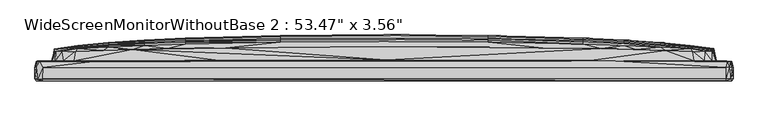
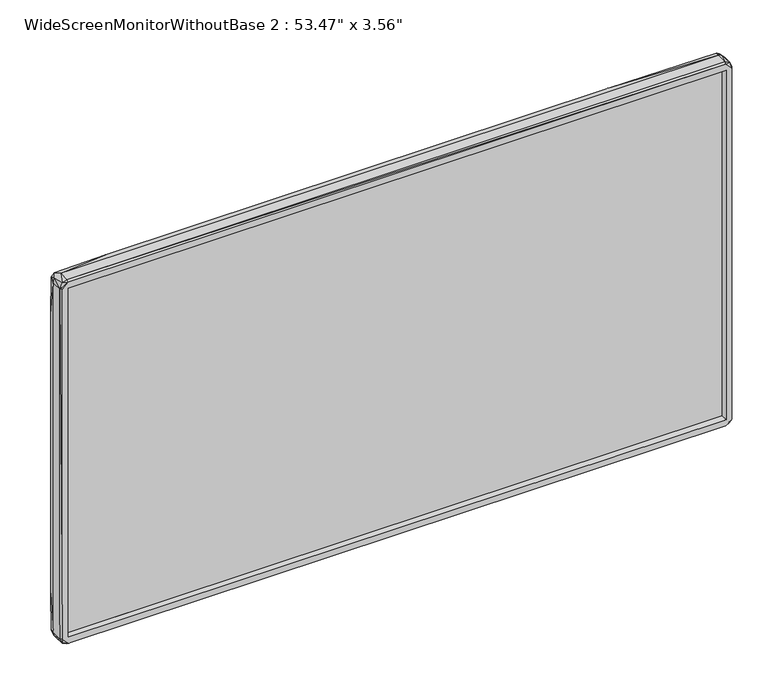
"""IFC4 building model written with IfcOpenShell, lengths in millimetres: furniture geometry."""

from ifc_helpers import new_model, si_unit, origin, place, context, project, spatial, triangles, source, transform, mapped, element, save


def furniture_28b2fe23(model_context):
    return source(origin(), model_context, "Body", "Tessellation", [
        triangles([(661.3648636, 7.6867009, 19.4749286), (661.3648636, 7.6865715, 757.5641516), (661.3648636, 4.3867008, 19.4749264), (661.3648636, 4.3865716, 757.5641516), (-661.3262032, 4.3864981, 757.5641516), (-661.3262032, 7.6864983, 757.5641516), (-661.3262032, 7.6866271, 19.4749286), (-661.3262032, 4.386627, 19.4749264)], [[1, 2, 3], [3, 2, 4], [5, 4, 2], [5, 2, 6], [7, 1, 3], [7, 3, 8], [7, 6, 1], [7, 8, 5], [7, 5, 6], [8, 3, 4], [8, 4, 5], [1, 6, 2]]),
        triangles([(-679.0600771, 22.5199599, 16.0345363), (-679.0600771, 0.0199601, 15.8345327), (-679.0600771, 22.5198304, 761.0603771), (-677.9600716, 22.5199599, 9.1345374), (-675.9600483, 34.5199587, 12.5345388), (-676.4600178, 34.6199503, 91.103369), (-676.4600178, 34.6198459, 685.1916069), (-674.1600855, 0.0199625, 3.7345343), (-676.3600965, -4.08004, 15.7345331), (-678.9600105, 0.0198296, 762.0603161), (-669.7600634, 34.5199633, 4.2345404), (-673.960025, 22.5199622, 3.134538), (-664.7600779, -4.0800389, 15.5345328), (-664.7600779, -4.0801695, 761.5603466), (-664.3600296, -4.0800366, 2.7345334), (-676.1600361, -4.0801709, 763.0603277), (-642.1600765, 35.2199523, 46.6345399), (-624.5600607, 35.2199591, 31.6345403), (-664.1600418, 22.5199622, 0.0345381), (-664.5600174, 0.0199636, 0.0345341), (-538.2945414, 34.619973, 2.7345399), (664.7273764, -4.0799654, 15.5345328), (661.3273659, 4.4200336, 19.4345332), (-661.3599947, 4.4199601, 19.4345332), (664.4273947, 0.0200376, 0.0345341), (664.3274008, -4.0799631, 2.7345334), (664.127413, 22.5200371, 0.0345381), (-661.3599947, 12.8199592, 19.4345332), (-661.3599947, 12.8198298, 757.5603727), (-661.3599947, 4.4198312, 757.5603727), (661.3273659, 12.820033, 19.4345332), (224.2982459, 13.019989, 127.7721791), (-114.0654122, 13.1199273, 374.6474808), (-499.9945899, 13.0198948, 435.9163064), (-635.1599951, 35.4199606, 37.6345397), (-638.5600782, 53.4564982, 59.6345458), (-630.5600578, 53.2565058, 45.7345404), (-646.1600504, 35.3199508, 65.4033661), (-611.2272989, 53.5565057, 35.7345444), (-603.3273451, 35.3199621, 29.0345377), (-595.6273064, 54.1565054, 34.1345444), (-536.7945602, 56.2565044, 34.1345444), (-296.6636507, 36.3199828, 28.9345393), (593.7946421, 34.6200344, 2.7345399), (382.6964444, 36.2200185, 29.0345377), (-91.365417, 48.8565382, 31.6345403), (608.0946413, 35.320028, 29.0345377), (466.629221, 58.156561, 34.1345444), (669.4273802, 34.5200382, 4.1345405), (623.9273958, 35.2200273, 31.5345418), (675.727359, 34.5200337, 11.4345389), (600.9946386, 53.8565691, 34.434542), (635.1273663, 35.2200227, 37.4345405), (616.3946434, 53.3565678, 36.8345454), (630.0273869, 53.2565694, 44.9345392), (642.127375, 35.2200273, 46.6345399), (637.2273834, 53.3565678, 56.3345429), (646.1274216, 35.3200257, 65.5033646), (676.427389, 34.6200253, 91.003366), (661.3273659, 4.4199047, 757.5603727), (661.3273659, 12.8199047, 757.5603727), (392.0964157, 13.0199368, 478.0162803), (676.427389, 22.5200348, 6.8345375), (673.5273479, -0.0799628, 3.2345341), (675.8273529, -4.0799636, 11.9345322), (664.7273764, -4.0800959, 761.5603466), (676.3273951, -4.0800948, 761.2603649), (679.0273756, 0.0200356, 15.7345331), (679.0273756, 22.5200326, 16.0345363), (679.0273756, 22.5199054, 761.0603771), (679.0273756, 0.0199052, 761.6603405), (-640.7600893, 54.3564932, 81.5033645), (-595.5273488, 59.0564925, 96.0033606), (-536.7945602, 62.6564998, 96.0033606), (-434.9618588, 58.7565153, 34.1345444), (-304.7636468, 60.7565204, 34.1345444), (-466.6618861, 65.7565059, 96.0033697), (-386.229114, 68.3565062, 96.0033697), (-118.5654191, 61.9565335, 34.1345444), (-202.0308914, 71.6565092, 96.0033697), (119.4327626, 62.0565455, 34.1345444), (-0.0327158, 72.7565283, 96.0033697), (296.6310037, 60.8565506, 34.1345444), (201.9982444, 71.656541, 96.0033697), (423.5964552, 58.9565576, 34.1345444), (386.2964064, 68.3565516, 96.0033697), (466.629221, 65.7565513, 96.0033697), (536.8619617, 56.256568, 34.1345444), (536.8619617, 62.6565589, 96.0033606), (595.494611, 59.056556, 96.0033606), (640.7273878, 53.9565721, 72.9033671), (-646.4600321, 35.8199293, 183.1410015), (-646.4600321, 35.9198823, 479.2851345), (640.9273756, 55.7565622, 119.6033554), (646.4274033, 35.9199868, 297.9098319), (676.3273951, 34.5199042, 760.3603472), (-640.9600044, 57.1564767, 175.1721929), (-595.5273488, 62.2564834, 169.2722078), (-642.7600399, 50.1564498, 342.878635), (-640.9600044, 58.9564531, 325.0786314), (-536.7945602, 65.256491, 135.6721966), (-466.6618861, 68.8564984, 135.6721966), (-386.229114, 71.7564985, 135.6721966), (-202.0308914, 75.6565103, 135.6721966), (-0.0327161, 76.9565218, 135.6721966), (201.9982444, 75.6565421, 135.6721966), (386.2964064, 71.7565439, 135.6721966), (466.629221, 68.8565438, 135.6721966), (536.8619617, 65.2565501, 135.6721966), (595.494611, 61.0565566, 135.6721966), (640.9273756, 58.1565383, 240.6098411), (640.9273756, 59.0565061, 424.4163179), (595.494611, 62.6565452, 180.1410211), (-595.5273488, 64.7564625, 280.1098283), (-536.7945602, 67.3564809, 180.1410211), (-536.7945602, 70.0564615, 280.1098283), (-466.6618861, 71.2564972, 180.1410211), (-386.229114, 74.5564911, 180.1410211), (-202.0308914, 78.8564966, 180.1410211), (-0.0327162, 80.3565141, 180.1410211), (201.9982444, 78.8565239, 180.1410211), (386.2964064, 74.5565365, 180.1410211), (466.629221, 71.2565427, 180.1410211), (536.8619617, 67.35654, 180.1410211), (-466.6618861, 74.5564684, 280.1098283), (-386.229114, 78.2564697, 280.1098283), (-202.0308914, 83.2564734, 280.1098283), (-0.0327165, 84.8564847, 280.1098283), (201.9982444, 83.2565097, 280.1098283), (386.2964064, 78.2565151, 280.1098283), (466.629221, 74.5565138, 280.1098283), (536.8619617, 70.0565205, 280.1098283), (595.494611, 64.7565215, 280.1098283), (646.4274033, 35.8199339, 594.3539103), (-595.5273488, 65.4564516, 388.2474501), (-536.7945602, 71.0564459, 388.2474501), (-466.6618861, 75.7564588, 388.2474501), (-386.229114, 79.5564539, 388.2474501), (-202.0308914, 84.6564606, 388.2474501), (-0.0327166, 86.3564749, 388.2474864), (201.9982444, 84.6564878, 388.2474501), (386.2964064, 79.5564993, 388.2474501), (466.629221, 75.7565042, 388.2474501), (536.8619617, 71.0565094, 388.2474501), (595.494611, 65.4565106, 388.2474501), (-642.660046, 49.6564031, 594.8539524), (-640.9600044, 57.0564056, 604.6227239), (-640.9600044, 58.9564304, 450.9162992), (-13.8327119, 13.0198823, 665.0915983), (-595.5273488, 64.7564216, 496.4851021), (-536.7945602, 70.0564251, 496.4851021), (-466.6618861, 74.5564321, 496.4851021), (-386.229114, 78.2564333, 496.4851021), (-202.0308914, 83.256437, 496.4851021), (-0.0327165, 84.8564484, 496.4851021), (201.9982444, 83.2564643, 496.4851021), (386.2964064, 78.2564788, 496.4851021), (466.629221, 74.5564775, 496.4851021), (536.8619617, 70.0564842, 496.4851021), (595.494611, 64.7564807, 496.4851021), (640.9273756, 58.1564838, 545.3538852), (640.9273756, 56.1564696, 642.8226814), (-646.0600565, 35.3198395, 711.4916004), (-595.5273488, 62.656409, 596.4538911), (-536.7945602, 67.3564083, 596.4538911), (-466.6618861, 71.25642, 596.4538911), (-386.229114, 74.5564185, 596.4538911), (-202.0308914, 78.856424, 596.4538911), (-0.0327162, 80.3564414, 596.4538911), (201.9982444, 78.8564512, 596.4538911), (386.2964064, 74.5564639, 596.4538911), (466.629221, 71.2564654, 596.4538911), (536.8619617, 67.3564673, 596.4538911), (595.494611, 62.2564697, 607.3227044), (646.1274216, 35.3199122, 711.5915216), (-640.6600227, 54.0563843, 702.2915806), (-595.5273488, 61.0564022, 640.9227247), (-536.7945602, 65.2564002, 640.9227247), (-466.6618861, 68.8564121, 640.9227247), (-386.229114, 71.7564077, 640.9227247), (-202.0308914, 75.6564194, 640.9227247), (-0.0327161, 76.9564309, 640.9227247), (201.9982444, 75.6564512, 640.9227247), (386.2964064, 71.7564531, 640.9227247), (466.629221, 68.8564575, 640.9227247), (536.8619617, 65.2564638, 640.9227247), (-595.5273488, 59.056388, 680.6915182), (-536.7945602, 62.6563954, 680.6915182), (-466.6618861, 65.7564015, 680.6915182), (-386.229114, 68.3564017, 680.6915182), (-202.0308914, 71.6564047, 680.6915182), (-0.0327158, 72.7564239, 680.6915182), (201.9982444, 71.6564365, 680.6915182), (386.2964064, 68.3564471, 680.6915182), (466.629221, 65.7564469, 680.6915182), (536.8619617, 62.6564544, 680.6915182), (595.494611, 59.0564561, 680.6915182), (640.8273817, 54.15646, 700.3916239), (-675.6599939, 34.5198293, 765.8603748), (-639.0600477, 35.2198342, 734.5603958), (-638.5600782, 53.4563801, 717.1915432), (638.927425, 35.2199069, 734.5603958), (638.5273767, 53.4564573, 717.0915493), (-626.6600779, 53.2563832, 733.9603598), (-600.8273523, 53.9563813, 742.4603497), (-547.4945975, 55.9563864, 742.6603374), (-489.6618267, 57.6563872, 742.6603374), (-421.6290607, 59.056388, 742.6603374), (-308.8963706, 60.6563993, 742.6603374), (-104.6654227, 62.0564093, 742.6603374), (102.8327675, 62.1564213, 742.6603374), (308.8637418, 60.6564357, 742.6603374), (421.5964319, 59.0564334, 742.6603374), (489.6291979, 57.6564417, 742.6603374), (547.4619687, 55.9564455, 742.6603374), (600.7946145, 53.9564495, 742.4603497), (625.2273891, 53.2564468, 735.1603592), (-676.3600965, 22.5198282, 770.2603243), (-664.6600113, -4.0801717, 774.2603708), (-673.4600555, -0.0801724, 773.8603226), (-664.0600479, 22.5198259, 777.0604179), (-669.4600817, 34.5198293, 772.9603775), (-624.3600002, 35.2198342, 745.4603119), (-664.3600296, 0.0198278, 777.0604179), (-565.4272965, 34.6198391, 774.3603647), (664.3274008, -4.0800982, 774.3603647), (664.5273886, 0.0199017, 777.0604179), (449.7291987, 34.7198875, 774.3603647), (664.3274008, 22.5199008, 777.0604179), (-603.6273268, 35.3198349, 747.9603773), (-320.1964076, 36.3198511, 748.0603712), (4.7000577, 36.6198691, 748.0603712), (402.1964533, 36.1198906, 748.0603712), (603.5945889, 35.3199031, 747.9603773), (667.5273508, 34.5199042, 773.8603226), (623.9273958, 35.2199001, 745.4603119), (674.7273474, 0.0199031, 772.3604141), (671.9273729, 22.5199008, 775.1603886), (673.6273418, 34.5199042, 770.1604031), (677.7273823, 22.5199031, 768.6603493)], [[1, 2, 3], [1, 4, 2], [1, 5, 4], [1, 6, 5], [1, 7, 6], [1, 3, 7], [2, 4, 8], [2, 9, 10], [2, 8, 9], [2, 10, 3], [4, 5, 11], [4, 12, 8], [4, 11, 12], [9, 13, 14], [9, 15, 13], [9, 14, 16], [9, 16, 10], [9, 8, 15], [5, 17, 18], [5, 18, 11], [5, 6, 17], [8, 12, 19], [8, 19, 20], [8, 20, 15], [12, 11, 19], [11, 18, 21], [11, 21, 19], [13, 15, 22], [13, 23, 24], [13, 22, 23], [13, 24, 14], [20, 19, 25], [20, 26, 15], [20, 25, 26], [15, 26, 22], [19, 21, 27], [19, 27, 25], [24, 23, 28], [24, 28, 29], [24, 30, 14], [24, 29, 30], [28, 31, 32], [28, 32, 33], [28, 33, 34], [28, 34, 29], [28, 23, 31], [17, 35, 18], [17, 36, 37], [17, 37, 35], [17, 38, 36], [17, 6, 38], [35, 37, 39], [35, 39, 18], [18, 39, 40], [18, 40, 21], [40, 39, 41], [40, 41, 42], [40, 42, 43], [40, 43, 21], [21, 43, 44], [21, 44, 27], [43, 45, 44], [43, 42, 46], [43, 46, 45], [45, 47, 44], [45, 46, 48], [45, 48, 47], [44, 49, 27], [44, 47, 50], [44, 50, 51], [44, 51, 49], [47, 48, 52], [47, 52, 50], [50, 53, 51], [50, 52, 54], [50, 54, 53], [53, 55, 56], [53, 54, 55], [53, 56, 51], [56, 55, 57], [56, 57, 58], [56, 58, 59], [56, 59, 51], [31, 23, 60], [31, 60, 61], [23, 22, 60], [31, 62, 32], [31, 61, 62], [27, 49, 63], [27, 64, 25], [27, 63, 64], [26, 65, 22], [26, 25, 64], [26, 64, 65], [22, 66, 60], [22, 65, 67], [22, 67, 66], [49, 51, 63], [64, 63, 68], [64, 68, 65], [51, 69, 63], [51, 59, 69], [65, 68, 67], [63, 69, 68], [68, 69, 70], [68, 71, 67], [68, 70, 71], [69, 59, 70], [36, 38, 72], [36, 72, 73], [36, 73, 37], [37, 73, 39], [39, 73, 41], [41, 73, 74], [41, 74, 42], [42, 75, 76], [42, 76, 46], [42, 74, 77], [42, 77, 75], [75, 77, 78], [75, 78, 76], [76, 79, 46], [76, 78, 80], [76, 80, 79], [79, 81, 46], [79, 80, 82], [79, 82, 81], [46, 81, 83], [46, 83, 48], [81, 82, 84], [81, 84, 83], [83, 85, 48], [83, 84, 86], [83, 86, 85], [85, 86, 87], [85, 87, 48], [48, 88, 52], [48, 87, 89], [48, 89, 88], [88, 89, 90], [88, 90, 52], [52, 90, 54], [54, 90, 55], [55, 90, 57], [57, 90, 91], [57, 91, 58], [6, 92, 38], [6, 93, 92], [6, 7, 93], [38, 92, 72], [58, 91, 94], [58, 94, 95], [58, 95, 59], [59, 95, 96], [59, 96, 70], [72, 97, 98], [72, 98, 73], [72, 92, 99], [72, 99, 100], [72, 100, 97], [73, 98, 101], [73, 101, 74], [74, 101, 102], [74, 102, 77], [77, 102, 103], [77, 103, 78], [78, 103, 104], [78, 104, 80], [80, 104, 105], [80, 105, 82], [82, 105, 106], [82, 106, 84], [84, 106, 107], [84, 107, 86], [86, 107, 108], [86, 108, 87], [87, 108, 109], [87, 109, 89], [89, 109, 110], [89, 110, 90], [90, 94, 91], [90, 110, 94], [94, 111, 112], [94, 112, 95], [94, 110, 113], [94, 113, 111], [32, 62, 33], [97, 114, 98], [97, 100, 114], [98, 115, 101], [98, 114, 116], [98, 116, 115], [101, 115, 117], [101, 117, 102], [102, 117, 118], [102, 118, 103], [103, 118, 119], [103, 119, 104], [104, 119, 120], [104, 120, 105], [105, 120, 121], [105, 121, 106], [106, 121, 122], [106, 122, 107], [107, 122, 123], [107, 123, 108], [108, 123, 124], [108, 124, 109], [109, 124, 113], [109, 113, 110], [92, 93, 99], [115, 116, 125], [115, 125, 117], [117, 125, 126], [117, 126, 118], [118, 126, 127], [118, 127, 119], [119, 127, 128], [119, 128, 120], [120, 128, 129], [120, 129, 121], [121, 129, 130], [121, 130, 122], [122, 130, 131], [122, 131, 123], [123, 131, 132], [123, 132, 124], [124, 132, 133], [124, 133, 113], [113, 133, 111], [95, 112, 134], [95, 134, 96], [114, 100, 135], [114, 135, 136], [114, 136, 116], [116, 136, 137], [116, 137, 125], [125, 137, 138], [125, 138, 126], [126, 138, 139], [126, 139, 127], [127, 139, 140], [127, 140, 128], [128, 140, 141], [128, 141, 129], [129, 141, 142], [129, 142, 130], [130, 142, 143], [130, 143, 131], [131, 143, 144], [131, 144, 132], [132, 144, 145], [132, 145, 133], [133, 145, 111], [111, 145, 112], [99, 93, 146], [99, 146, 100], [100, 146, 147], [100, 147, 148], [100, 148, 135], [33, 62, 149], [33, 149, 34], [135, 148, 150], [135, 150, 151], [135, 151, 136], [136, 151, 152], [136, 152, 137], [137, 152, 153], [137, 153, 138], [138, 153, 154], [138, 154, 139], [139, 154, 155], [139, 155, 140], [140, 155, 156], [140, 156, 141], [141, 156, 157], [141, 157, 142], [142, 157, 158], [142, 158, 143], [143, 158, 159], [143, 159, 144], [144, 159, 160], [144, 160, 145], [145, 160, 112], [34, 149, 29], [62, 61, 149], [148, 147, 150], [112, 161, 162], [112, 162, 134], [112, 160, 161], [93, 163, 146], [93, 7, 163], [150, 164, 165], [150, 165, 151], [150, 147, 164], [151, 165, 166], [151, 166, 152], [152, 166, 167], [152, 167, 153], [153, 167, 168], [153, 168, 154], [154, 168, 169], [154, 169, 155], [155, 169, 170], [155, 170, 156], [156, 170, 171], [156, 171, 157], [157, 171, 172], [157, 172, 158], [158, 172, 173], [158, 173, 159], [159, 173, 174], [159, 174, 160], [160, 174, 161], [134, 162, 175], [134, 175, 96], [146, 163, 176], [146, 176, 147], [164, 147, 177], [164, 177, 178], [164, 178, 165], [165, 178, 179], [165, 179, 166], [166, 179, 180], [166, 180, 167], [167, 180, 181], [167, 181, 168], [168, 181, 182], [168, 182, 169], [169, 182, 183], [169, 183, 170], [170, 183, 184], [170, 184, 171], [171, 184, 185], [171, 185, 172], [172, 185, 186], [172, 186, 173], [173, 186, 174], [161, 174, 162], [147, 176, 177], [177, 176, 187], [177, 187, 188], [177, 188, 178], [178, 188, 189], [178, 189, 179], [179, 189, 190], [179, 190, 180], [180, 190, 191], [180, 191, 181], [181, 191, 192], [181, 192, 182], [182, 192, 193], [182, 193, 183], [183, 193, 194], [183, 194, 184], [184, 194, 195], [184, 195, 185], [185, 195, 196], [185, 196, 186], [186, 196, 197], [186, 197, 174], [174, 197, 162], [162, 197, 198], [162, 198, 175], [7, 199, 200], [7, 200, 163], [7, 3, 199], [163, 201, 176], [163, 200, 201], [149, 61, 29], [175, 202, 96], [175, 203, 202], [175, 198, 203], [176, 201, 187], [201, 200, 204], [201, 204, 187], [187, 204, 205], [187, 205, 206], [187, 206, 188], [188, 206, 207], [188, 207, 189], [189, 207, 208], [189, 208, 190], [190, 208, 209], [190, 209, 191], [191, 209, 210], [191, 210, 192], [192, 210, 211], [192, 211, 193], [193, 211, 212], [193, 212, 194], [194, 212, 213], [194, 213, 195], [195, 213, 214], [195, 214, 196], [196, 214, 215], [196, 215, 197], [197, 203, 198], [197, 215, 216], [197, 216, 217], [197, 217, 203], [203, 217, 202], [3, 10, 218], [3, 218, 199], [10, 219, 220], [10, 220, 218], [10, 16, 219], [218, 220, 221], [218, 221, 222], [218, 222, 199], [16, 14, 219], [199, 222, 223], [199, 223, 200], [220, 224, 221], [220, 219, 224], [222, 225, 223], [222, 221, 225], [14, 30, 66], [14, 66, 219], [219, 66, 226], [219, 226, 224], [224, 226, 227], [224, 227, 221], [221, 228, 225], [221, 229, 228], [221, 227, 229], [30, 29, 60], [30, 60, 66], [29, 61, 60], [200, 223, 204], [223, 225, 230], [223, 230, 205], [223, 205, 204], [230, 225, 231], [230, 231, 207], [230, 207, 205], [225, 232, 231], [225, 228, 232], [231, 232, 207], [232, 228, 233], [232, 233, 213], [232, 209, 207], [232, 210, 209], [232, 211, 210], [232, 213, 211], [233, 228, 234], [233, 234, 215], [233, 215, 213], [228, 235, 234], [228, 229, 235], [234, 236, 216], [234, 216, 215], [234, 235, 236], [236, 202, 217], [236, 217, 216], [236, 235, 96], [236, 96, 202], [226, 237, 227], [226, 66, 67], [226, 67, 237], [229, 227, 238], [229, 238, 235], [227, 237, 238], [235, 238, 239], [235, 239, 96], [238, 237, 240], [238, 240, 239], [239, 240, 96], [237, 67, 71], [237, 71, 240], [96, 240, 70], [240, 71, 70], [205, 207, 206], [207, 209, 208], [211, 213, 212], [213, 215, 214]]),
    ])


if __name__ == "__main__":
    model = new_model("IFC4")
    model_context = context("Model", 3, world=origin())
    ifc_project = project(units=[si_unit("LENGTHUNIT", "METRE", prefix="MILLI")], contexts=[model_context])
    site = spatial("IfcSite", under=ifc_project)
    building = spatial("IfcBuilding", under=site)
    placement = place(None, origin())
    furniture_shape = furniture_28b2fe23(model_context)
    element("IfcFurniture", 1, ObjectType="WideScreenMonitorWithoutBase 2 : 53.47\" x 3.56\"", at=placement, inside=building, context=model_context, shape_type="MappedRepresentation", body=[
        mapped(furniture_shape, transform((0.0, 0.0, 0.0), x_axis=(1.0, 0.0, 0.0), y_axis=(0.0, 1.0, 0.0), z_axis=(0.0, 0.0, 1.0))),
    ])
    save(model, "model.ifc")
